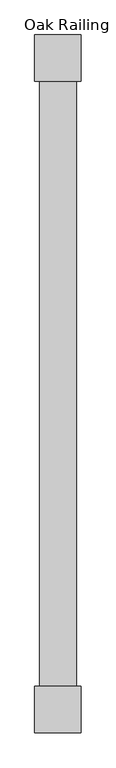
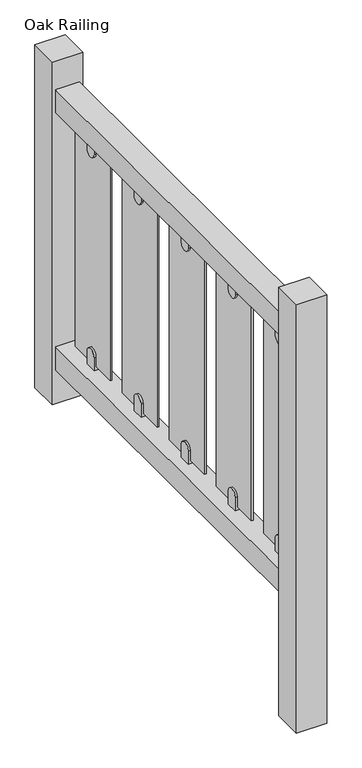
"""IFC4 building model written with IfcOpenShell, lengths in millimetres: railing geometry, Oak Railing."""

from ifc_helpers import new_model, si_unit, point, frame, frame_2d, origin, place, context, project, spatial, polyline, circle_curve, trimmed, segment, composite_curve, outline, extrude, source, transform, mapped, element, save


def oak_railing_6bcf5258(model_context):
    return source(origin(), model_context, "Body", "SweptSolid", [
        extrude(outline(polyline([(406.6475431, 5382.557511), (486.6475431, 5382.557511), (486.6475431, 3982.557511), (406.6475431, 3982.557511), (406.6475431, 5382.557511)])), frame((0.0, 0.0, 6200.0), z_axis=(0.0, 0.0, 1.0), x_axis=(1.0, 0.0, 0.0)), (0.0, 0.0, 1.0), 80.0),
        extrude(outline(polyline([(406.6475431, 5382.557511), (486.6475431, 5382.557511), (486.6475431, 3982.557511), (406.6475431, 3982.557511), (406.6475431, 5382.557511)])), frame((0.0, 0.0, 5300.0), z_axis=(0.0, 0.0, 1.0), x_axis=(1.0, 0.0, 0.0)), (0.0, 0.0, 1.0), 80.0),
        extrude(outline(composite_curve([segment(polyline([(4122.557511, 6190.9791886), (4122.557511, 6145.3149347)]), True, "CONTINUOUS"), segment(trimmed(circle_curve(frame_2d((4102.557511, 6145.3149347)), 20.0), [point((4122.557511, 6145.3149347))], [point((4082.557511, 6145.3149347))], False, "CARTESIAN"), True, "CONTINUOUS"), segment(polyline([(4082.557511, 6145.3149347), (4082.557511, 6190.9791886), (4122.557511, 6190.9791886)]), True, "CONTINUOUS")], self_intersect=False)), frame((436.6475431, 0.0, 0.0), z_axis=(1.0, 0.0, 0.0), x_axis=(0.0, 1.0, 0.0)), (0.0, 0.0, 1.0), 20.0),
        extrude(outline(composite_curve([segment(polyline([(4082.557511, 5389.0208114), (4082.557511, 5434.6850653)]), True, "CONTINUOUS"), segment(trimmed(circle_curve(frame_2d((4102.557511, 5434.6850653)), 20.0), [point((4082.557511, 5434.6850653))], [point((4122.557511, 5434.6850653))], False, "CARTESIAN"), True, "CONTINUOUS"), segment(polyline([(4122.557511, 5434.6850653), (4122.557511, 5389.0208114), (4082.557511, 5389.0208114)]), True, "CONTINUOUS")], self_intersect=False)), frame((436.6475431, 0.0, 0.0), z_axis=(1.0, 0.0, 0.0), x_axis=(0.0, 1.0, 0.0)), (0.0, 0.0, 1.0), 20.0),
        extrude(outline(polyline([(443.6475431, 4202.557511), (449.6475431, 4202.557511), (449.6475431, 4002.557511), (443.6475431, 4002.557511), (443.6475431, 4202.557511)])), frame((0.0, 0.0, 5400.0), z_axis=(0.0, 0.0, 1.0), x_axis=(1.0, 0.0, 0.0)), (0.0, 0.0, 1.0), 780.0),
        extrude(outline(composite_curve([segment(polyline([(4392.557511, 6190.9791886), (4392.557511, 6145.3149347)]), True, "CONTINUOUS"), segment(trimmed(circle_curve(frame_2d((4372.557511, 6145.3149347)), 20.0), [point((4392.557511, 6145.3149347))], [point((4352.557511, 6145.3149347))], False, "CARTESIAN"), True, "CONTINUOUS"), segment(polyline([(4352.557511, 6145.3149347), (4352.557511, 6190.9791886), (4392.557511, 6190.9791886)]), True, "CONTINUOUS")], self_intersect=False)), frame((436.6475431, 0.0, 0.0), z_axis=(1.0, 0.0, 0.0), x_axis=(0.0, 1.0, 0.0)), (0.0, 0.0, 1.0), 20.0),
        extrude(outline(composite_curve([segment(polyline([(4352.557511, 5389.0208114), (4352.557511, 5434.6850653)]), True, "CONTINUOUS"), segment(trimmed(circle_curve(frame_2d((4372.557511, 5434.6850653)), 20.0), [point((4352.557511, 5434.6850653))], [point((4392.557511, 5434.6850653))], False, "CARTESIAN"), True, "CONTINUOUS"), segment(polyline([(4392.557511, 5434.6850653), (4392.557511, 5389.0208114), (4352.557511, 5389.0208114)]), True, "CONTINUOUS")], self_intersect=False)), frame((436.6475431, 0.0, 0.0), z_axis=(1.0, 0.0, 0.0), x_axis=(0.0, 1.0, 0.0)), (0.0, 0.0, 1.0), 20.0),
        extrude(outline(polyline([(443.6475431, 4472.557511), (449.6475431, 4472.557511), (449.6475431, 4272.557511), (443.6475431, 4272.557511), (443.6475431, 4472.557511)])), frame((0.0, 0.0, 5400.0), z_axis=(0.0, 0.0, 1.0), x_axis=(1.0, 0.0, 0.0)), (0.0, 0.0, 1.0), 780.0),
        extrude(outline(composite_curve([segment(polyline([(4662.557511, 6190.9791886), (4662.557511, 6145.3149347)]), True, "CONTINUOUS"), segment(trimmed(circle_curve(frame_2d((4642.557511, 6145.3149347)), 20.0), [point((4662.557511, 6145.3149347))], [point((4622.557511, 6145.3149347))], False, "CARTESIAN"), True, "CONTINUOUS"), segment(polyline([(4622.557511, 6145.3149347), (4622.557511, 6190.9791886), (4662.557511, 6190.9791886)]), True, "CONTINUOUS")], self_intersect=False)), frame((436.6475431, 0.0, 0.0), z_axis=(1.0, 0.0, 0.0), x_axis=(0.0, 1.0, 0.0)), (0.0, 0.0, 1.0), 20.0),
        extrude(outline(composite_curve([segment(polyline([(4622.557511, 5389.0208114), (4622.557511, 5434.6850653)]), True, "CONTINUOUS"), segment(trimmed(circle_curve(frame_2d((4642.557511, 5434.6850653)), 20.0), [point((4622.557511, 5434.6850653))], [point((4662.557511, 5434.6850653))], False, "CARTESIAN"), True, "CONTINUOUS"), segment(polyline([(4662.557511, 5434.6850653), (4662.557511, 5389.0208114), (4622.557511, 5389.0208114)]), True, "CONTINUOUS")], self_intersect=False)), frame((436.6475431, 0.0, 0.0), z_axis=(1.0, 0.0, 0.0), x_axis=(0.0, 1.0, 0.0)), (0.0, 0.0, 1.0), 20.0),
        extrude(outline(polyline([(443.6475431, 4742.557511), (449.6475431, 4742.557511), (449.6475431, 4542.557511), (443.6475431, 4542.557511), (443.6475431, 4742.557511)])), frame((0.0, 0.0, 5400.0), z_axis=(0.0, 0.0, 1.0), x_axis=(1.0, 0.0, 0.0)), (0.0, 0.0, 1.0), 780.0),
        extrude(outline(composite_curve([segment(polyline([(4932.557511, 6190.9791886), (4932.557511, 6145.3149347)]), True, "CONTINUOUS"), segment(trimmed(circle_curve(frame_2d((4912.557511, 6145.3149347)), 20.0), [point((4932.557511, 6145.3149347))], [point((4892.557511, 6145.3149347))], False, "CARTESIAN"), True, "CONTINUOUS"), segment(polyline([(4892.557511, 6145.3149347), (4892.557511, 6190.9791886), (4932.557511, 6190.9791886)]), True, "CONTINUOUS")], self_intersect=False)), frame((436.6475431, 0.0, 0.0), z_axis=(1.0, 0.0, 0.0), x_axis=(0.0, 1.0, 0.0)), (0.0, 0.0, 1.0), 20.0),
        extrude(outline(composite_curve([segment(polyline([(4892.557511, 5389.0208114), (4892.557511, 5434.6850653)]), True, "CONTINUOUS"), segment(trimmed(circle_curve(frame_2d((4912.557511, 5434.6850653)), 20.0), [point((4892.557511, 5434.6850653))], [point((4932.557511, 5434.6850653))], False, "CARTESIAN"), True, "CONTINUOUS"), segment(polyline([(4932.557511, 5434.6850653), (4932.557511, 5389.0208114), (4892.557511, 5389.0208114)]), True, "CONTINUOUS")], self_intersect=False)), frame((436.6475431, 0.0, 0.0), z_axis=(1.0, 0.0, 0.0), x_axis=(0.0, 1.0, 0.0)), (0.0, 0.0, 1.0), 20.0),
        extrude(outline(polyline([(443.6475431, 5012.557511), (449.6475431, 5012.557511), (449.6475431, 4812.557511), (443.6475431, 4812.557511), (443.6475431, 5012.557511)])), frame((0.0, 0.0, 5400.0), z_axis=(0.0, 0.0, 1.0), x_axis=(1.0, 0.0, 0.0)), (0.0, 0.0, 1.0), 780.0),
        extrude(outline(composite_curve([segment(polyline([(5202.557511, 6190.9791886), (5202.557511, 6145.3149347)]), True, "CONTINUOUS"), segment(trimmed(circle_curve(frame_2d((5182.557511, 6145.3149347)), 20.0), [point((5202.557511, 6145.3149347))], [point((5162.557511, 6145.3149347))], False, "CARTESIAN"), True, "CONTINUOUS"), segment(polyline([(5162.557511, 6145.3149347), (5162.557511, 6190.9791886), (5202.557511, 6190.9791886)]), True, "CONTINUOUS")], self_intersect=False)), frame((436.6475431, 0.0, 0.0), z_axis=(1.0, 0.0, 0.0), x_axis=(0.0, 1.0, 0.0)), (0.0, 0.0, 1.0), 20.0),
        extrude(outline(composite_curve([segment(polyline([(5162.557511, 5389.0208114), (5162.557511, 5434.6850653)]), True, "CONTINUOUS"), segment(trimmed(circle_curve(frame_2d((5182.557511, 5434.6850653)), 20.0), [point((5162.557511, 5434.6850653))], [point((5202.557511, 5434.6850653))], False, "CARTESIAN"), True, "CONTINUOUS"), segment(polyline([(5202.557511, 5434.6850653), (5202.557511, 5389.0208114), (5162.557511, 5389.0208114)]), True, "CONTINUOUS")], self_intersect=False)), frame((436.6475431, 0.0, 0.0), z_axis=(1.0, 0.0, 0.0), x_axis=(0.0, 1.0, 0.0)), (0.0, 0.0, 1.0), 20.0),
        extrude(outline(polyline([(443.6475431, 5282.557511), (449.6475431, 5282.557511), (449.6475431, 5082.557511), (443.6475431, 5082.557511), (443.6475431, 5282.557511)])), frame((0.0, 0.0, 5400.0), z_axis=(0.0, 0.0, 1.0), x_axis=(1.0, 0.0, 0.0)), (0.0, 0.0, 1.0), 780.0),
        extrude(outline(polyline([(396.6475431, 4032.557511), (496.6475431, 4032.557511), (496.6475431, 3932.557511), (396.6475431, 3932.557511), (396.6475431, 4032.557511)])), frame((0.0, 0.0, 4880.0), z_axis=(0.0, 0.0, 1.0), x_axis=(1.0, 0.0, 0.0)), (0.0, 0.0, 1.0), 1500.0),
        extrude(outline(polyline([(396.6475431, 5432.557511), (496.6475431, 5432.557511), (496.6475431, 5332.557511), (396.6475431, 5332.557511), (396.6475431, 5432.557511)])), frame((0.0, 0.0, 5180.0), z_axis=(0.0, 0.0, 1.0), x_axis=(1.0, 0.0, 0.0)), (0.0, 0.0, 1.0), 1200.0),
    ])


if __name__ == "__main__":
    model = new_model("IFC4")
    model_context = context("Model", 3, world=origin())
    ifc_project = project(units=[si_unit("LENGTHUNIT", "METRE", prefix="MILLI")], contexts=[model_context])
    site = spatial("IfcSite", under=ifc_project)
    building = spatial("IfcBuilding", under=site)
    placement = place(None, origin())
    oak_railing_shape = oak_railing_6bcf5258(model_context)
    element("IfcRailing", 1, ObjectType="Oak Railing", at=placement, inside=building, context=model_context, shape_type="MappedRepresentation", body=[
        mapped(oak_railing_shape, transform((0.0, 0.0, 0.0), x_axis=(1.0, 0.0, 0.0), y_axis=(0.0, 1.0, 0.0), z_axis=(0.0, 0.0, 1.0))),
    ])
    save(model, "model.ifc")
